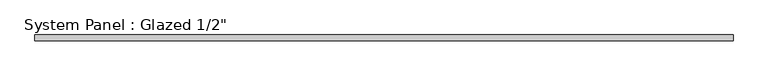
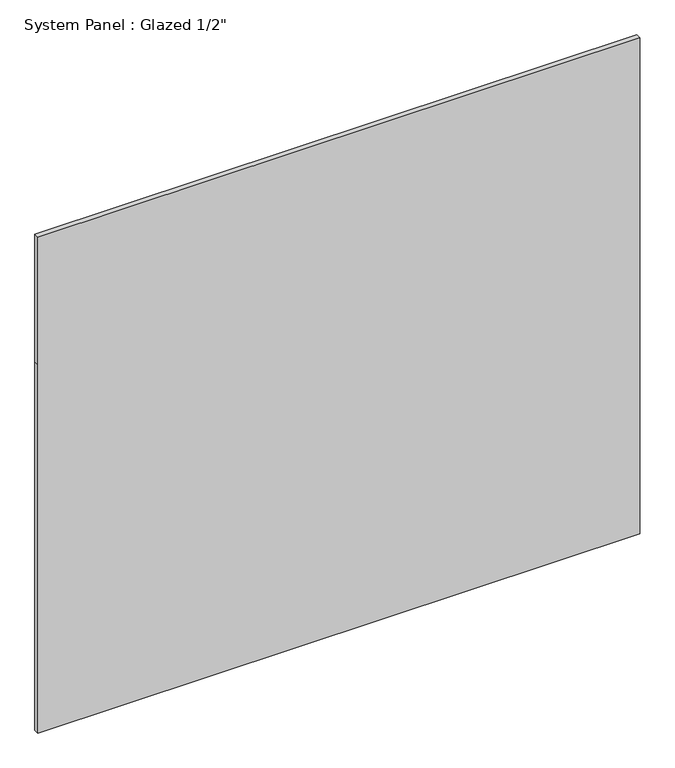
"""IFC4 building model written with IfcOpenShell, lengths in millimetres: plate geometry."""

from ifc_helpers import new_model, si_unit, frame, origin, place, context, project, spatial, polyline, outline, extrude, source, transform, mapped, element, save


def plate_7b87f424(model_context):
    return source(origin(), model_context, "Body", "SweptSolid", [
        extrude(outline(polyline([(0.0, -750.4473053), (0.0, 750.4473053), (971.55, 750.4473053), (1307.6007219, 750.4473053), (1307.6007219, -750.4473053), (971.55, -750.4473053), (0.0, -750.4473053)])), frame((0.0, -6.35, 0.0), z_axis=(0.0, 1.0, 0.0), x_axis=(0.0, 0.0, 1.0)), (0.0, 0.0, 1.0), 12.7),
    ])


if __name__ == "__main__":
    model = new_model("IFC4")
    model_context = context("Model", 3, world=origin())
    ifc_project = project(units=[si_unit("LENGTHUNIT", "METRE", prefix="MILLI")], contexts=[model_context])
    site = spatial("IfcSite", under=ifc_project)
    building = spatial("IfcBuilding", under=site)
    placement = place(None, origin())
    plate_shape = plate_7b87f424(model_context)
    element("IfcPlate", 1, ObjectType="System Panel : Glazed 1/2\"", at=placement, inside=building, context=model_context, shape_type="MappedRepresentation", body=[
        mapped(plate_shape, transform((0.0, 0.0, 0.0), x_axis=(1.0, 0.0, 0.0), y_axis=(0.0, 1.0, 0.0), z_axis=(0.0, 0.0, 1.0))),
    ])
    save(model, "model.ifc")
